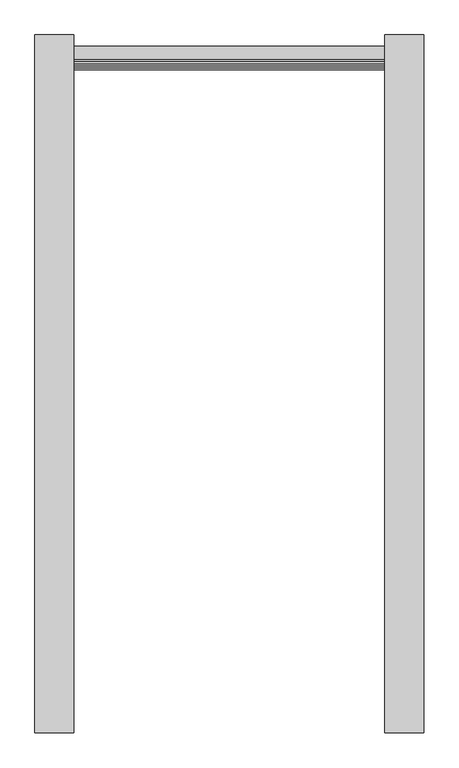
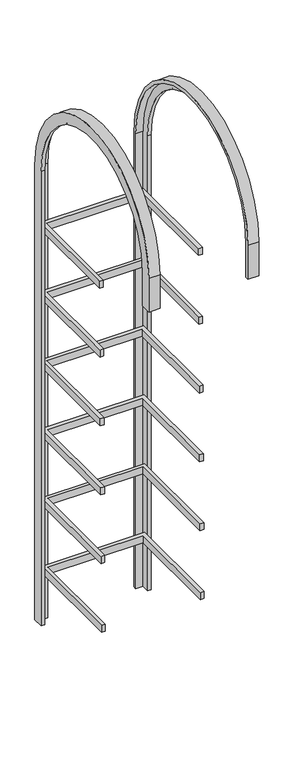
"""IFC4 building model written with IfcOpenShell, lengths in millimetres: proxy geometry."""

from ifc_helpers import new_model, si_unit, frame, origin, place, context, project, spatial, polyline, circle_curve, outline, extrude, source, transform, mapped, element, save
from ifc_brep_helpers import plane_surface, cylinder_surface, revolved_surface, advanced_brep


def mechanical_equipment_f96453e2(model_context):
    return source(origin(), model_context, "Body", "SolidModel", [
        extrude(outline(polyline([(-325.0, 340.7715803), (-350.0, 340.7715803), (-350.0, 1040.7715803), (350.0, 1040.7715803), (350.0, 340.7715803), (325.0, 340.7715803), (325.0, 1015.7715803), (-325.0, 1015.7715803), (-325.0, 340.7715803)])), frame((0.0, 0.0, 1128.4544689), z_axis=(0.0, 0.0, 1.0), x_axis=(1.0, 0.0, 0.0)), (0.0, 0.0, 1.0), 50.0),
        extrude(outline(polyline([(-325.0, 344.7715803), (-350.0, 344.7715803), (-350.0, 1044.7715803), (350.0, 1044.7715803), (350.0, 344.7715803), (325.0, 344.7715803), (325.0, 1019.7715803), (-325.0, 1019.7715803), (-325.0, 344.7715803)])), frame((0.0, 0.0, 1621.2305087), z_axis=(0.0, 0.0, 1.0), x_axis=(1.0, 0.0, 0.0)), (0.0, 0.0, 1.0), 50.0),
        extrude(outline(polyline([(-325.0, 348.7715803), (-350.0, 348.7715803), (-350.0, 1048.7715803), (350.0, 1048.7715803), (350.0, 348.7715803), (325.0, 348.7715803), (325.0, 1023.7715803), (-325.0, 1023.7715803), (-325.0, 348.7715803)])), frame((0.0, 0.0, 2114.0065485), z_axis=(0.0, 0.0, 1.0), x_axis=(1.0, 0.0, 0.0)), (0.0, 0.0, 1.0), 50.0),
        extrude(outline(polyline([(-325.0, 352.7715803), (-350.0, 352.7715803), (-350.0, 1052.7715803), (350.0, 1052.7715803), (350.0, 352.7715803), (325.0, 352.7715803), (325.0, 1027.7715803), (-325.0, 1027.7715803), (-325.0, 352.7715803)])), frame((0.0, 0.0, 2606.7825883), z_axis=(0.0, 0.0, 1.0), x_axis=(1.0, 0.0, 0.0)), (0.0, 0.0, 1.0), 50.0),
        extrude(outline(polyline([(-325.0, 336.7715803), (-350.0, 336.7715803), (-350.0, 1036.7715803), (350.0, 1036.7715803), (350.0, 336.7715803), (325.0, 336.7715803), (325.0, 1011.7715803), (-325.0, 1011.7715803), (-325.0, 336.7715803)])), frame((0.0, 0.0, 635.6784291), z_axis=(0.0, 0.0, 1.0), x_axis=(1.0, 0.0, 0.0)), (0.0, 0.0, 1.0), 50.0),
        extrude(outline(polyline([(-325.0, 356.7715803), (-350.0, 356.7715803), (-350.0, 1056.7715803), (350.0, 1056.7715803), (350.0, 356.7715803), (325.0, 356.7715803), (325.0, 1031.7715803), (-325.0, 1031.7715803), (-325.0, 356.7715803)])), frame((0.0, 0.0, 3099.5586281), z_axis=(0.0, 0.0, 1.0), x_axis=(1.0, 0.0, 0.0)), (0.0, 0.0, 1.0), 50.0),
        advanced_brep(
        [(-375.0, 1078.7473865, 285.6784291), (-300.1244328, 1078.7473865, 285.6784291), (-300.1244328, 1056.7715803, 285.6784291), (-350.0, 1056.7715803, 285.6784291), (-350.0, 1003.7473865, 285.6784291), (-375.0, 1003.7473865, 285.6784291), (-375.0, 1003.7473865, 3558.4439221), (-375.0, -192.3676134, 3558.4439221), (-375.0, -192.3676134, 3315.6640513), (-375.0, -267.3676134, 3315.6640513), (-375.0, -267.3676134, 3558.4439221), (-375.0, 1078.7473865, 3558.4439221), (-350.0, 1003.7473865, 3558.4439221), (-350.0, 1056.7715803, 3558.4439221), (-350.0, -245.3918072, 3558.4439221), (-350.0, -245.3918072, 3315.6640513), (-350.0, -192.3676134, 3315.6640513), (-350.0, -192.3676134, 3558.4439221), (-300.1244328, 1056.7715803, 3558.4439221), (-300.1244328, 1078.7473865, 3558.4439221), (-300.1244328, -267.3676134, 3558.4439221), (-300.1244328, -267.3676134, 3315.6640513), (-300.1244328, -245.3918072, 3315.6640513), (-300.1244328, -245.3918072, 3558.4439221)],
        [
            (0, 1),
            (1, 2),
            (2, 3),
            (3, 4),
            (4, 5),
            (5, 0),
            (5, 6),
            (6, 7, circle_curve(frame((-375.0, 405.6898866, 3558.4439221), z_axis=(1.0, 0.0, 0.0), x_axis=(0.0, 1.0, 0.0)), 598.0575)),
            (7, 8),
            (8, 9),
            (9, 10),
            (10, 11, circle_curve(frame((-375.0, 405.6898866, 3558.4439221), z_axis=(-1.0, 0.0, 0.0), x_axis=(0.0, 1.0, 0.0)), 673.0575)),
            (11, 0),
            (4, 12),
            (12, 6),
            (3, 13),
            (13, 14, circle_curve(frame((-350.0, 405.6898866, 3558.4439221), z_axis=(1.0, 0.0, 0.0), x_axis=(0.0, 1.0, 0.0)), 651.0816938)),
            (14, 15),
            (15, 16),
            (16, 17),
            (17, 12, circle_curve(frame((-350.0, 405.6898866, 3558.4439221), z_axis=(-1.0, 0.0, 0.0), x_axis=(0.0, 1.0, 0.0)), 598.0575)),
            (2, 18),
            (18, 13),
            (1, 19),
            (19, 20, circle_curve(frame((-300.1244328, 405.6898866, 3558.4439221), z_axis=(1.0, 0.0, 0.0), x_axis=(0.0, 1.0, 0.0)), 673.0575)),
            (20, 21),
            (21, 22),
            (22, 23),
            (23, 18, circle_curve(frame((-300.1244328, 405.6898866, 3558.4439221), z_axis=(-1.0, 0.0, 0.0), x_axis=(0.0, 1.0, 0.0)), 651.0816938)),
            (11, 19),
            (17, 7),
            (23, 14),
            (10, 20),
            (8, 16),
            (15, 22),
            (21, 9),
        ],
        [
            plane_surface(frame((-350.0, 1056.7715803, 285.6784291), z_axis=(0.0, 0.0, -1.0), x_axis=(1.0, 0.0, 0.0))),
            plane_surface(frame((-375.0, 1003.7473865, 285.6784291), z_axis=(-1.0, 0.0, 0.0), x_axis=(0.0, 0.0, 1.0))),
            plane_surface(frame((-350.0, 1003.7473865, 285.6784291), z_axis=(0.0, -1.0, 0.0), x_axis=(0.0, 0.0, 1.0))),
            plane_surface(frame((-350.0, 1056.7715803, 285.6784291), z_axis=(1.0, 0.0, 0.0), x_axis=(0.0, 0.0, 1.0))),
            plane_surface(frame((-300.1244328, 1056.7715803, 285.6784291), z_axis=(0.0, -1.0, 0.0), x_axis=(0.0, 0.0, 1.0))),
            plane_surface(frame((-300.1244328, 1078.7473865, 285.6784291), z_axis=(1.0, 0.0, 0.0), x_axis=(0.0, 0.0, 1.0))),
            plane_surface(frame((-375.0, 1078.7473865, 285.6784291), z_axis=(0.0, 1.0, 0.0), x_axis=(0.0, 0.0, 1.0))),
            revolved_surface(polyline([(-350.0, 1003.7473866, 3558.4439221), (-375.0, 1003.7473866, 3558.4439221)]), (-350.0, 405.6898866, 3558.4439221), (1.0, 0.0, 0.0)),
            revolved_surface(polyline([(-300.1244328, 1056.7715804, 3558.4439221), (-350.0, 1056.7715804, 3558.4439221)]), (-350.0, 405.6898866, 3558.4439221), (1.0, 0.0, 0.0)),
            cylinder_surface(frame((-350.0, 405.6898866, 3558.4439221), z_axis=(1.0, 0.0, 0.0), x_axis=(0.0, 1.0, 0.0)), 673.0575),
            plane_surface(frame((-350.0, -245.3918072, 3315.6640513), z_axis=(0.0, 0.0, -1.0), x_axis=(1.0, 0.0, 0.0))),
            plane_surface(frame((-350.0, -192.3676134, 3558.4439221), z_axis=(0.0, 1.0, 0.0), x_axis=(0.0, 0.0, -1.0))),
            plane_surface(frame((-300.1244328, -245.3918072, 3558.4439221), z_axis=(0.0, 1.0, 0.0), x_axis=(0.0, 0.0, -1.0))),
            plane_surface(frame((-375.0, -267.3676134, 3558.4439221), z_axis=(0.0, -1.0, 0.0), x_axis=(0.0, 0.0, -1.0))),
        ],
        [
            (0, [[1, 2, 3, 4, 5, 6]]),
            (1, [[-6, 7, 8, 9, 10, 11, 12, 13]]),
            (2, [[-5, 14, 15, -7]]),
            (3, [[-4, 16, 17, 18, 19, 20, 21, -14]]),
            (4, [[-3, 22, 23, -16]]),
            (5, [[-2, 24, 25, 26, 27, 28, 29, -22]]),
            (6, [[-1, -13, 30, -24]]),
            (7, [[-8, -15, -21, 31]]),
            (8, [[-17, -23, -29, 32]]),
            (9, [[-25, -30, -12, 33]]),
            (10, [[-10, 34, -19, 35, -27, 36]]),
            (11, [[-31, -20, -34, -9]]),
            (12, [[-32, -28, -35, -18]]),
            (13, [[-33, -11, -36, -26]]),
        ],
    ),
        advanced_brep(
        [(375.0, 1078.7473865, 285.6784291), (375.0, 1003.7473865, 285.6784291), (350.0, 1003.7473865, 285.6784291), (350.0, 1056.7715803, 285.6784291), (300.1244328, 1056.7715803, 285.6784291), (300.1244328, 1078.7473865, 285.6784291), (375.0, 1078.7473865, 3558.4439221), (375.0, -267.3676134, 3558.4439221), (375.0, -267.3676134, 3315.6640513), (375.0, -192.3676134, 3315.6640513), (375.0, -192.3676134, 3558.4439221), (375.0, 1003.7473865, 3558.4439221), (350.0, 1003.7473865, 3558.4439221), (350.0, -192.3676134, 3558.4439221), (350.0, -192.3676134, 3315.6640513), (350.0, -245.3918072, 3315.6640513), (350.0, -245.3918072, 3558.4439221), (350.0, 1056.7715803, 3558.4439221), (300.1244328, 1056.7715803, 3558.4439221), (300.1244328, -245.3918072, 3558.4439221), (300.1244328, -245.3918072, 3315.6640513), (300.1244328, -267.3676134, 3315.6640513), (300.1244328, -267.3676134, 3558.4439221), (300.1244328, 1078.7473865, 3558.4439221)],
        [
            (0, 1),
            (1, 2),
            (2, 3),
            (3, 4),
            (4, 5),
            (5, 0),
            (0, 6),
            (6, 7, circle_curve(frame((375.0, 405.6898866, 3558.4439221), z_axis=(1.0, 0.0, 0.0), x_axis=(0.0, 1.0, 0.0)), 673.0575)),
            (7, 8),
            (8, 9),
            (9, 10),
            (10, 11, circle_curve(frame((375.0, 405.6898866, 3558.4439221), z_axis=(-1.0, 0.0, 0.0), x_axis=(0.0, 1.0, 0.0)), 598.0575)),
            (11, 1),
            (11, 12),
            (12, 2),
            (12, 13, circle_curve(frame((350.0, 405.6898866, 3558.4439221), z_axis=(1.0, 0.0, 0.0), x_axis=(0.0, 1.0, 0.0)), 598.0575)),
            (13, 14),
            (14, 15),
            (15, 16),
            (16, 17, circle_curve(frame((350.0, 405.6898866, 3558.4439221), z_axis=(-1.0, 0.0, 0.0), x_axis=(0.0, 1.0, 0.0)), 651.0816938)),
            (17, 3),
            (17, 18),
            (18, 4),
            (18, 19, circle_curve(frame((300.1244328, 405.6898866, 3558.4439221), z_axis=(1.0, 0.0, 0.0), x_axis=(0.0, 1.0, 0.0)), 651.0816938)),
            (19, 20),
            (20, 21),
            (21, 22),
            (22, 23, circle_curve(frame((300.1244328, 405.6898866, 3558.4439221), z_axis=(-1.0, 0.0, 0.0), x_axis=(0.0, 1.0, 0.0)), 673.0575)),
            (23, 5),
            (23, 6),
            (10, 13),
            (16, 19),
            (22, 7),
            (8, 21),
            (20, 15),
            (14, 9),
        ],
        [
            plane_surface(frame((350.0, 1056.7715803, 285.6784291), z_axis=(0.0, 0.0, -1.0), x_axis=(1.0, 0.0, 0.0))),
            plane_surface(frame((375.0, 1078.7473865, 285.6784291), z_axis=(1.0, 0.0, 0.0), x_axis=(0.0, 0.0, 1.0))),
            plane_surface(frame((375.0, 1003.7473865, 285.6784291), z_axis=(0.0, -1.0, 0.0), x_axis=(0.0, 0.0, 1.0))),
            plane_surface(frame((350.0, 1003.7473865, 285.6784291), z_axis=(-1.0, 0.0, 0.0), x_axis=(0.0, 0.0, 1.0))),
            plane_surface(frame((350.0, 1056.7715803, 285.6784291), z_axis=(0.0, -1.0, 0.0), x_axis=(0.0, 0.0, 1.0))),
            plane_surface(frame((300.1244328, 1056.7715803, 285.6784291), z_axis=(-1.0, 0.0, 0.0), x_axis=(0.0, 0.0, 1.0))),
            plane_surface(frame((300.1244328, 1078.7473865, 285.6784291), z_axis=(0.0, 1.0, 0.0), x_axis=(0.0, 0.0, 1.0))),
            revolved_surface(polyline([(375.0, 1003.7473866, 3558.4439221), (350.0, 1003.7473866, 3558.4439221)]), (350.0, 405.6898866, 3558.4439221), (1.0, 0.0, 0.0)),
            revolved_surface(polyline([(350.0, 1056.7715804, 3558.4439221), (300.1244328, 1056.7715804, 3558.4439221)]), (350.0, 405.6898866, 3558.4439221), (1.0, 0.0, 0.0)),
            cylinder_surface(frame((350.0, 405.6898866, 3558.4439221), z_axis=(1.0, 0.0, 0.0), x_axis=(0.0, 1.0, 0.0)), 673.0575),
            plane_surface(frame((350.0, -245.3918072, 3315.6640513), z_axis=(0.0, 0.0, -1.0), x_axis=(1.0, 0.0, 0.0))),
            plane_surface(frame((375.0, -192.3676134, 3558.4439221), z_axis=(0.0, 1.0, 0.0), x_axis=(0.0, 0.0, -1.0))),
            plane_surface(frame((350.0, -245.3918072, 3558.4439221), z_axis=(0.0, 1.0, 0.0), x_axis=(0.0, 0.0, -1.0))),
            plane_surface(frame((300.1244328, -267.3676134, 3558.4439221), z_axis=(0.0, -1.0, 0.0), x_axis=(0.0, 0.0, -1.0))),
        ],
        [
            (0, [[1, 2, 3, 4, 5, 6]]),
            (1, [[-1, 7, 8, 9, 10, 11, 12, 13]]),
            (2, [[-2, -13, 14, 15]]),
            (3, [[-3, -15, 16, 17, 18, 19, 20, 21]]),
            (4, [[-4, -21, 22, 23]]),
            (5, [[-5, -23, 24, 25, 26, 27, 28, 29]]),
            (6, [[-6, -29, 30, -7]]),
            (7, [[-16, -14, -12, 31]]),
            (8, [[-24, -22, -20, 32]]),
            (9, [[-8, -30, -28, 33]]),
            (10, [[34, -26, 35, -18, 36, -10]]),
            (11, [[-31, -11, -36, -17]]),
            (12, [[-32, -19, -35, -25]]),
            (13, [[-33, -27, -34, -9]]),
        ],
    ),
    ])


if __name__ == "__main__":
    model = new_model("IFC4")
    model_context = context("Model", 3, world=origin())
    ifc_project = project(units=[si_unit("LENGTHUNIT", "METRE", prefix="MILLI")], contexts=[model_context])
    site = spatial("IfcSite", under=ifc_project)
    building = spatial("IfcBuilding", under=site)
    placement = place(None, origin())
    mechanical_equipment_shape = mechanical_equipment_f96453e2(model_context)
    element("IfcBuildingElementProxy", 1, Name="Mechanical Equipment", at=placement, inside=building, context=model_context, shape_type="MappedRepresentation", body=[
        mapped(mechanical_equipment_shape, transform((0.0, 0.0, 0.0), x_axis=(1.0, 0.0, 0.0), y_axis=(0.0, 1.0, 0.0), z_axis=(0.0, 0.0, 1.0))),
    ])
    save(model, "model.ifc")
